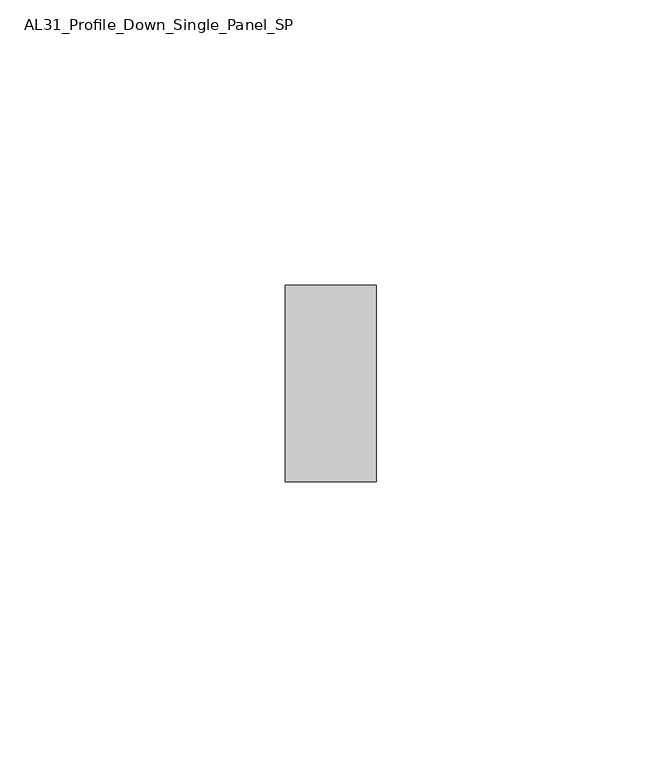
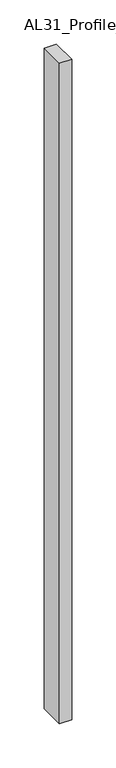
"""IFC4 building model written with IfcOpenShell, lengths in millimetres: member geometry, AL31_Profile_Down_Single_Panel_SP."""

from ifc_helpers import new_model, si_unit, frame, origin, place, context, project, spatial, polyline, outline, extrude, source, transform, mapped, element, save


def al31_profile_down_single_panel_sp_f07ee885(model_context):
    return source(origin(), model_context, "Body", "SweptSolid", [
        extrude(outline(polyline([(0.0, -17.25), (-16.0, -17.25), (-16.0, 17.25), (0.0, 17.25), (0.0, -17.25)])), frame((0.0, 0.0, -912.0605297), z_axis=(0.0, 0.0, 1.0), x_axis=(1.0, 0.0, 0.0)), (0.0, 0.0, 1.0), 912.0605297),
    ])


if __name__ == "__main__":
    model = new_model("IFC4")
    model_context = context("Model", 3, world=origin())
    ifc_project = project(units=[si_unit("LENGTHUNIT", "METRE", prefix="MILLI")], contexts=[model_context])
    site = spatial("IfcSite", under=ifc_project)
    building = spatial("IfcBuilding", under=site)
    placement = place(None, origin())
    al31_profile_down_single_panel_sp_shape = al31_profile_down_single_panel_sp_f07ee885(model_context)
    element("IfcMember", 1, ObjectType="AL31_Profile_Down_Single_Panel_SP", at=placement, inside=building, context=model_context, shape_type="MappedRepresentation", body=[
        mapped(al31_profile_down_single_panel_sp_shape, transform((0.0, 0.0, 0.0), x_axis=(1.0, 0.0, 0.0), y_axis=(0.0, 1.0, 0.0), z_axis=(0.0, 0.0, 1.0))),
    ])
    save(model, "model.ifc")
